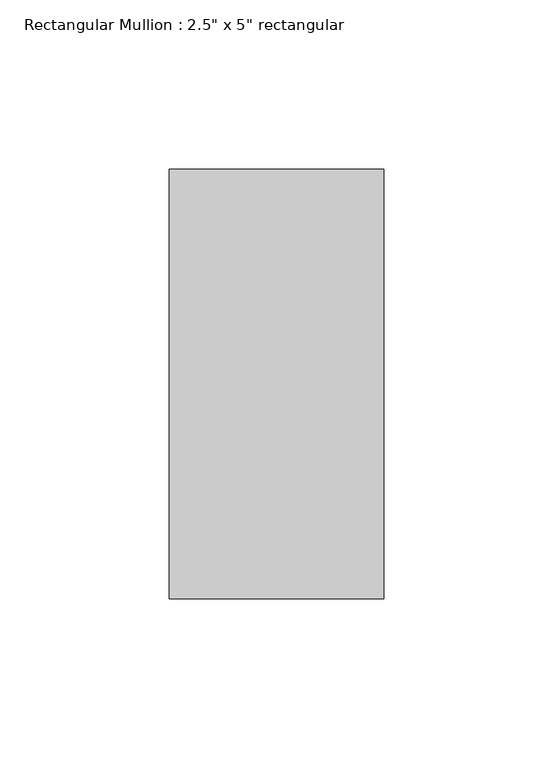
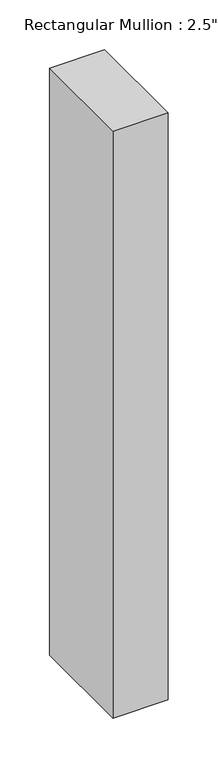
"""IFC4 building model written with IfcOpenShell, lengths in millimetres: member geometry."""

import ifcopenshell
import ifcopenshell.guid

model = None  # the IFC model being written
_history = None  # IfcOwnerHistory: only IFC2X3 demands one
_inside = {}  # id of a spatial element -> (the spatial element, [elements in it])
_under = {}  # id of a project, library or spatial element -> (it, [spatial elements below it])
_declared = {}  # id of a project -> (the project, [libraries it declares])
_typed = {}  # id of a type object -> (the type object, [elements of that type])
_made_of = {}  # id of a material, layer set ... -> (it, [elements and type objects made of it])


def new_model(schema):
    """Start an empty IFC model of exactly this schema.

    Asked for "IFC4X3", IfcOpenShell would pick the latest addendum, in which some entities
    have other attributes; the version numbers below select the first issue.
    IFC2X3 requires an IfcOwnerHistory on every rooted entity: one is made here for all.
    """
    global model, _history
    if schema == "IFC4X3":
        model = ifcopenshell.file(schema_version=(4, 3, 0, 0))
    else:
        model = ifcopenshell.file(schema=schema)
    _inside.clear()
    _under.clear()
    _declared.clear()
    _typed.clear()
    _made_of.clear()
    _history = None
    if model.schema == "IFC2X3":
        org = make("IfcOrganization", Name="unknown")
        user = make(
            "IfcPersonAndOrganization",
            ThePerson=make("IfcPerson", FamilyName="unknown"),
            TheOrganization=org,
        )
        app = make(
            "IfcApplication",
            ApplicationDeveloper=org,
            Version="unknown",
            ApplicationFullName="unknown",
            ApplicationIdentifier="unknown",
        )
        _history = make(
            "IfcOwnerHistory",
            OwningUser=user,
            OwningApplication=app,
            ChangeAction="ADDED",
            CreationDate=0,
        )
    return model


def make(cls, **values):
    """One entity of the class cls with the attributes given. An attribute that is None is left unset."""
    return model.create_entity(
        cls, **{name: value for name, value in values.items() if value is not None}
    )


def rooted(cls, **values):
    """An entity with a GlobalId (a new one), such as an element, a storey or a relation."""
    return make(cls, GlobalId=ifcopenshell.guid.new(), OwnerHistory=_history, **values)


def si_unit(unit_type, name, prefix=None):
    """IfcSIUnit, for example si_unit("LENGTHUNIT", "METRE", prefix="MILLI")."""
    return make("IfcSIUnit", UnitType=unit_type, Prefix=prefix, Name=name)


def assignment(units):
    """IfcUnitAssignment: the units of a project."""
    return None if units is None else make("IfcUnitAssignment", Units=units)


def point(xyz):
    """IfcCartesianPoint."""
    return None if xyz is None else make("IfcCartesianPoint", Coordinates=xyz)


def direction(xyz):
    """IfcDirection."""
    return None if xyz is None else make("IfcDirection", DirectionRatios=xyz)


def frame(location, z_axis=None, x_axis=None):
    """IfcAxis2Placement3D, a coordinate frame: its origin and axes. An axis left out is left unset."""
    return make(
        "IfcAxis2Placement3D",
        Location=point(location),
        Axis=direction(z_axis),
        RefDirection=direction(x_axis),
    )


def origin():
    """The frame at (0, 0, 0) with its axes left unset."""
    return frame((0.0, 0.0, 0.0))


def place(relative_to, where):
    """IfcLocalPlacement: puts the frame where relative to a parent placement (None: the world)."""
    return make(
        "IfcLocalPlacement", PlacementRelTo=relative_to, RelativePlacement=where
    )


def context(
    kind, dimensions, precision=None, world=None, true_north=None, identifier=None
):
    """IfcGeometricRepresentationContext, for example the 3D "Model" context."""
    return make(
        "IfcGeometricRepresentationContext",
        ContextIdentifier=identifier,
        ContextType=kind,
        CoordinateSpaceDimension=dimensions,
        Precision=precision,
        WorldCoordinateSystem=world,
        TrueNorth=true_north,
    )


def project(units=None, contexts=None):
    """IfcProject with its units and contexts."""
    return rooted(
        "IfcProject",
        Name="project",
        RepresentationContexts=contexts,
        UnitsInContext=assignment(units),
    )


def spatial(cls, under=None, at=None, **own):
    """A site, building, storey or space (cls), placed at a placement, below another one or the project."""
    s = rooted(cls, ObjectPlacement=at, **own)
    if under is not None:
        _under.setdefault(under.id(), (under, []))[1].append(s)
    return s


def polyline(points):
    """IfcPolyline through the points."""
    return make("IfcPolyline", Points=[point(p) for p in points])


def outline(outer, holes=None, kind="AREA"):
    """IfcArbitraryClosedProfileDef: a profile drawn as a closed curve; with holes, ...WithVoids."""
    if holes is None:
        return make("IfcArbitraryClosedProfileDef", ProfileType=kind, OuterCurve=outer)
    return make(
        "IfcArbitraryProfileDefWithVoids",
        ProfileType=kind,
        OuterCurve=outer,
        InnerCurves=holes,
    )


def extrude(swept, where, along, depth):
    """IfcExtrudedAreaSolid: the profile swept, set in the frame where, extruded along a direction by depth."""
    return make(
        "IfcExtrudedAreaSolid",
        SweptArea=swept,
        Position=where,
        ExtrudedDirection=direction(along),
        Depth=depth,
    )


def shape(context_of_items, identifier, shape_type, items):
    """IfcShapeRepresentation: the items that make up one representation, for example the "Body"."""
    return make(
        "IfcShapeRepresentation",
        ContextOfItems=context_of_items,
        RepresentationIdentifier=identifier,
        RepresentationType=shape_type,
        Items=items,
    )


def source(mapping_origin, context_of_items, identifier, shape_type, items):
    """IfcRepresentationMap: a shape defined once, which mapped items show again and again."""
    return make(
        "IfcRepresentationMap",
        MappingOrigin=mapping_origin,
        MappedRepresentation=shape(context_of_items, identifier, shape_type, items),
    )


def transform(
    local_origin,
    x_axis=None,
    y_axis=None,
    z_axis=None,
    scale=None,
    scale2=None,
    scale3=None,
    uniform=True,
):
    """IfcCartesianTransformationOperator3D, or its non-uniform kind. x_axis, y_axis, z_axis: its Axis1, 2, 3."""
    if uniform:
        return make(
            "IfcCartesianTransformationOperator3D",
            Axis1=direction(x_axis),
            Axis2=direction(y_axis),
            LocalOrigin=point(local_origin),
            Scale=scale,
            Axis3=direction(z_axis),
        )
    return make(
        "IfcCartesianTransformationOperator3DnonUniform",
        Axis1=direction(x_axis),
        Axis2=direction(y_axis),
        LocalOrigin=point(local_origin),
        Scale=scale,
        Axis3=direction(z_axis),
        Scale2=scale2,
        Scale3=scale3,
    )


def mapped(mapping_source, mapping_target):
    """IfcMappedItem: shows the shape of a source again, moved by a transform."""
    return make(
        "IfcMappedItem", MappingSource=mapping_source, MappingTarget=mapping_target
    )


def made_of(thing, what):
    """Note that an element or type object is made of a material, layer set ...; save() writes the relation."""
    if what is not None:
        _made_of.setdefault(what.id(), (what, []))[1].append(thing)
    return thing


def element(
    cls,
    number,
    at=None,
    inside=None,
    cuts=None,
    type_object=None,
    material=None,
    context=None,
    identifier="Body",
    shape_type=None,
    held_by="IfcProductDefinitionShape",
    body=None,
    shapes=None,
    **own,
):
    """One element of the class cls, such as IfcWall. Its Tag is "e" and its number.

    at: its placement. inside: the storey or other place that contains it. cuts: it is an
    opening in that element (IfcRelVoidsElement). A single representation is given by context,
    identifier, shape_type and body (its items); several are given by shapes. held_by: the class
    of the entity that holds the representations. save() writes the other relations.
    """
    e = rooted(cls, Tag="e%d" % number, ObjectPlacement=at, **own)
    if body is not None:
        shapes = [shape(context, identifier, shape_type, body)]
    if shapes is not None:
        e.Representation = make(held_by, Representations=shapes)
    if inside is not None:
        _inside.setdefault(inside.id(), (inside, []))[1].append(e)
    if cuts is not None:
        rooted(
            "IfcRelVoidsElement", RelatingBuildingElement=cuts, RelatedOpeningElement=e
        )
    if type_object is not None:
        _typed.setdefault(type_object.id(), (type_object, []))[1].append(e)
    return made_of(e, material)


def aggregate(whole, parts):
    """IfcRelAggregates: a whole, such as a stair, and the parts it consists of."""
    return rooted("IfcRelAggregates", RelatingObject=whole, RelatedObjects=parts)


def save(model, path):
    """Write the relations noted so far, then the file.

    IfcRelAggregates (storeys below a building ...), IfcRelContainedInSpatialStructure (elements
    in a storey), IfcRelDefinesByType, IfcRelAssociatesMaterial and IfcRelDeclares: one each for
    every whole, place, type object, material and project.
    """
    for whole, parts in _under.values():
        aggregate(whole, parts)
    for where, things in _inside.values():
        rooted(
            "IfcRelContainedInSpatialStructure",
            RelatedElements=things,
            RelatingStructure=where,
        )
    for kind, things in _typed.values():
        rooted("IfcRelDefinesByType", RelatedObjects=things, RelatingType=kind)
    for what, things in _made_of.values():
        rooted("IfcRelAssociatesMaterial", RelatedObjects=things, RelatingMaterial=what)
    for by, libraries in _declared.values():
        rooted("IfcRelDeclares", RelatingContext=by, RelatedDefinitions=libraries)
    model.write(path)


def member_23253426(model_context):
    return source(origin(), model_context, "Body", "SweptSolid", [
        extrude(outline(polyline([(31.75, 63.5), (31.75, -63.5), (-31.75, -63.5), (-31.75, 63.5), (31.75, 63.5)])), frame((0.0, 0.0, -718.2915569), z_axis=(0.0, 0.0, 1.0), x_axis=(1.0, 0.0, 0.0)), (0.0, 0.0, 1.0), 718.2915569),
    ])


if __name__ == "__main__":
    model = new_model("IFC4")
    model_context = context("Model", 3, world=origin())
    ifc_project = project(units=[si_unit("LENGTHUNIT", "METRE", prefix="MILLI")], contexts=[model_context])
    site = spatial("IfcSite", under=ifc_project)
    building = spatial("IfcBuilding", under=site)
    placement = place(None, origin())
    member_shape = member_23253426(model_context)
    element("IfcMember", 1, ObjectType="Rectangular Mullion : 2.5\" x 5\" rectangular", at=placement, inside=building, context=model_context, shape_type="MappedRepresentation", body=[
        mapped(member_shape, transform((0.0, 0.0, 0.0), x_axis=(1.0, 0.0, 0.0), y_axis=(0.0, 1.0, 0.0), z_axis=(0.0, 0.0, 1.0))),
    ])
    save(model, "model.ifc")
